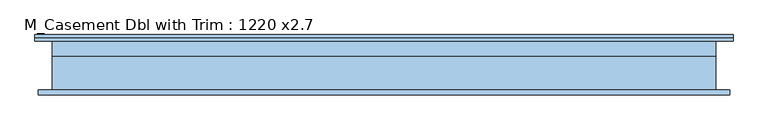
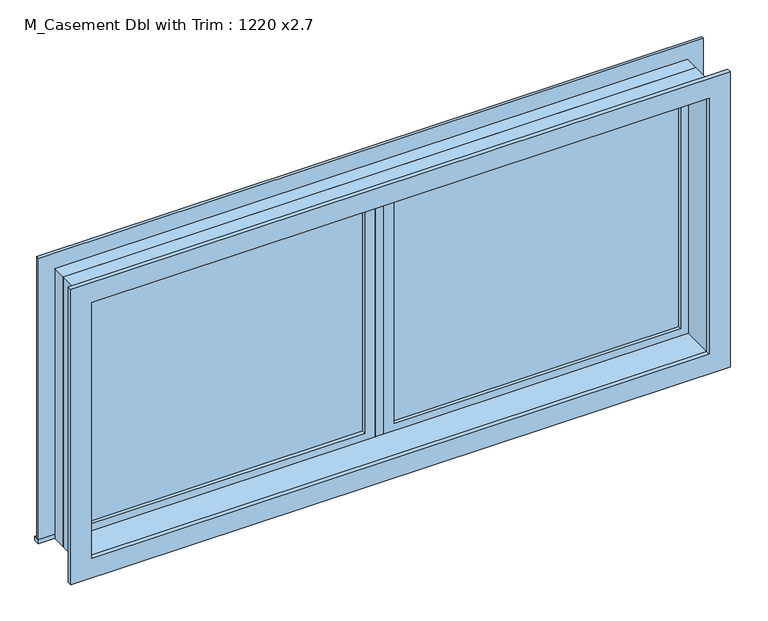
"""IFC4 building model written with IfcOpenShell, lengths in millimetres: window geometry, M_Casement Dbl with Trim : 1220 x2.7."""

from ifc_helpers import new_model, si_unit, frame, origin, place, context, project, spatial, polyline, outline, extrude, source, transform, mapped, element, save


def m_casement_dbl_with_trim_1220_x2_7_ce681c6f(model_context):
    return source(origin(), model_context, "Body", "SweptSolid", [
        extrude(outline(polyline([(63.5, 84.175), (1286.5, 84.175), (1286.5, 71.475), (63.5, 71.475), (63.5, 84.175)])), frame((0.0, 0.0, 978.5), z_axis=(0.0, 0.0, 1.0), x_axis=(1.0, 0.0, 0.0)), (0.0, 0.0, 1.0), 1093.0),
        extrude(outline(polyline([(2115.95, 19.05), (934.05, 19.05), (934.05, 1330.95), (2115.95, 1330.95), (2115.95, 19.05)]), holes=[polyline([(2071.5, 63.5), (2071.5, 1286.5), (978.5, 1286.5), (978.5, 63.5), (2071.5, 63.5)])]), frame((0.0, 55.6, 0.0), z_axis=(0.0, 1.0, 0.0), x_axis=(0.0, 0.0, 1.0)), (0.0, 0.0, 1.0), 44.45),
        extrude(outline(polyline([(-1419.95, 144.75), (1419.95, 144.75), (1419.95, 119.05), (-1419.95, 119.05), (-1419.95, 144.75)])), frame((0.0, 0.0, 915.0), z_axis=(0.0, 0.0, 1.0), x_axis=(1.0, 0.0, 0.0)), (0.0, 0.0, 1.0), 19.05),
        extrude(outline(polyline([(2115.95, -1330.95), (2115.95, 1330.95), (934.05, 1330.95), (934.05, 1419.95), (2204.95, 1419.95), (2204.95, -1419.95), (934.05, -1419.95), (934.05, -1330.95), (2115.95, -1330.95)])), frame((0.0, 119.05, 0.0), z_axis=(0.0, 1.0, 0.0), x_axis=(0.0, 0.0, 1.0)), (0.0, 0.0, 1.0), 13.0),
        extrude(outline(polyline([(2192.25, 1407.25), (2192.25, -1407.25), (857.75, -1407.25), (857.75, 1407.25), (2192.25, 1407.25)]), holes=[polyline([(2103.25, 1318.25), (946.75, 1318.25), (946.75, -1318.25), (2103.25, -1318.25), (2103.25, 1318.25)])]), frame((0.0, -99.95, 0.0), z_axis=(0.0, 1.0, 0.0), x_axis=(0.0, 0.0, 1.0)), (0.0, 0.0, 1.0), 19.0),
        extrude(outline(polyline([(-63.5, 71.475), (-1286.5, 71.475), (-1286.5, 84.175), (-63.5, 84.175), (-63.5, 71.475)])), frame((0.0, 0.0, 978.5), z_axis=(0.0, 0.0, 1.0), x_axis=(1.0, 0.0, 0.0)), (0.0, 0.0, 1.0), 1093.0),
        extrude(outline(polyline([(2115.95, -1330.95), (934.05, -1330.95), (934.05, -19.05), (2115.95, -19.05), (2115.95, -1330.95)]), holes=[polyline([(2071.5, -1286.5), (2071.5, -63.5), (978.5, -63.5), (978.5, -1286.5), (2071.5, -1286.5)])]), frame((0.0, 55.6, 0.0), z_axis=(0.0, 1.0, 0.0), x_axis=(0.0, 0.0, 1.0)), (0.0, 0.0, 1.0), 44.45),
        extrude(outline(polyline([(2135.0, -1350.0), (915.0, -1350.0), (915.0, 1350.0), (2135.0, 1350.0), (2135.0, -1350.0)]), holes=[polyline([(2103.25, -1318.25), (2103.25, 1318.25), (946.75, 1318.25), (946.75, -1318.25), (2103.25, -1318.25)])]), frame((0.0, -80.95, 0.0), z_axis=(0.0, 1.0, 0.0), x_axis=(0.0, 0.0, 1.0)), (0.0, 0.0, 1.0), 136.55),
        extrude(outline(polyline([(2135.0, 1350.0), (2135.0, -1350.0), (915.0, -1350.0), (915.0, 1350.0), (2135.0, 1350.0)]), holes=[polyline([(2115.95, 1330.95), (934.05, 1330.95), (934.05, -1330.95), (2115.95, -1330.95), (2115.95, 1330.95)])]), frame((0.0, 55.6, 0.0), z_axis=(0.0, 1.0, 0.0), x_axis=(0.0, 0.0, 1.0)), (0.0, 0.0, 1.0), 63.45),
        extrude(outline(polyline([(19.05, 55.6), (-19.05, 55.6), (-19.05, 119.1), (19.05, 119.1), (19.05, 55.6)])), frame((0.0, 0.0, 934.05), z_axis=(0.0, 0.0, 1.0), x_axis=(1.0, 0.0, 0.0)), (0.0, 0.0, 1.0), 1181.9),
    ])


if __name__ == "__main__":
    model = new_model("IFC4")
    model_context = context("Model", 3, world=origin())
    ifc_project = project(units=[si_unit("LENGTHUNIT", "METRE", prefix="MILLI")], contexts=[model_context])
    site = spatial("IfcSite", under=ifc_project)
    building = spatial("IfcBuilding", under=site)
    placement = place(None, origin())
    m_casement_dbl_with_trim_1220_x2_7_shape = m_casement_dbl_with_trim_1220_x2_7_ce681c6f(model_context)
    element("IfcWindow", 1, ObjectType="M_Casement Dbl with Trim : 1220 x2.7", at=placement, inside=building, context=model_context, shape_type="MappedRepresentation", body=[
        mapped(m_casement_dbl_with_trim_1220_x2_7_shape, transform((0.0, 0.0, 0.0), x_axis=(1.0, 0.0, 0.0), y_axis=(0.0, 1.0, 0.0), z_axis=(0.0, 0.0, 1.0))),
    ])
    save(model, "model.ifc")
